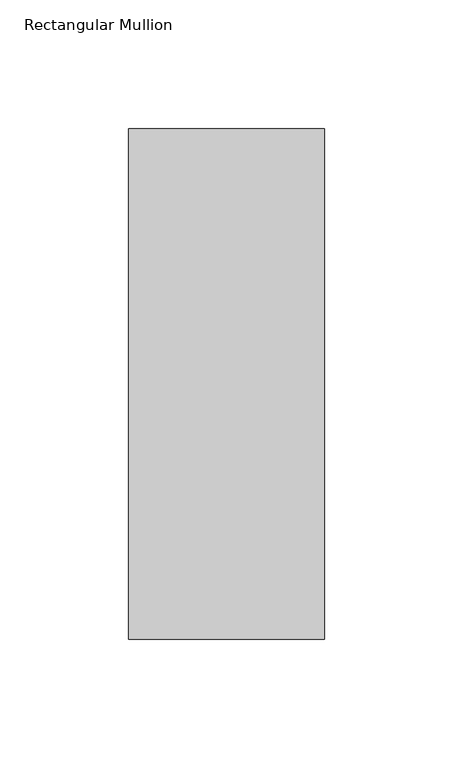
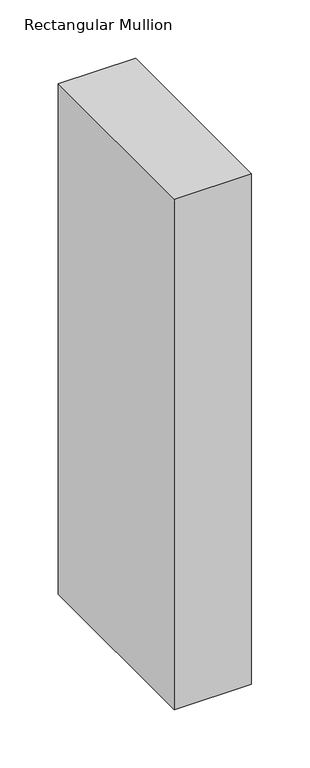
"""IFC4 building model written with IfcOpenShell, lengths in millimetres: member geometry, Rectangular Mullion."""

from ifc_helpers import new_model, si_unit, frame, origin, place, context, project, spatial, polyline, outline, extrude, source, transform, mapped, element, save


def rectangular_mullion_79dea63e(model_context):
    return source(origin(), model_context, "Body", "SweptSolid", [
        extrude(outline(polyline([(38.1, -156.36875), (-38.1, -156.36875), (-38.1, 42.06875), (38.1, 42.06875), (38.1, -156.36875)])), frame((0.0, 0.0, -533.4), z_axis=(0.0, 0.0, 1.0), x_axis=(1.0, 0.0, 0.0)), (0.0, 0.0, 1.0), 533.4),
    ])


if __name__ == "__main__":
    model = new_model("IFC4")
    model_context = context("Model", 3, world=origin())
    ifc_project = project(units=[si_unit("LENGTHUNIT", "METRE", prefix="MILLI")], contexts=[model_context])
    site = spatial("IfcSite", under=ifc_project)
    building = spatial("IfcBuilding", under=site)
    placement = place(None, origin())
    rectangular_mullion_shape = rectangular_mullion_79dea63e(model_context)
    element("IfcMember", 1, ObjectType="Rectangular Mullion", at=placement, inside=building, context=model_context, shape_type="MappedRepresentation", body=[
        mapped(rectangular_mullion_shape, transform((0.0, 0.0, 0.0), x_axis=(1.0, 0.0, 0.0), y_axis=(0.0, 1.0, 0.0), z_axis=(0.0, 0.0, 1.0))),
    ])
    save(model, "model.ifc")
